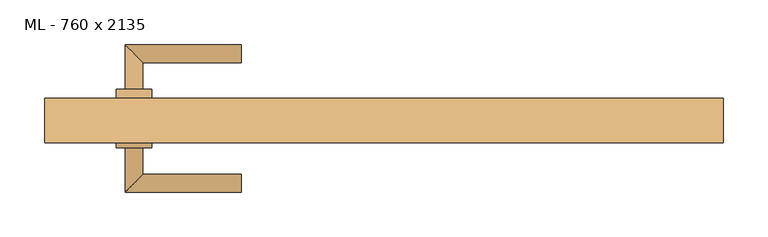
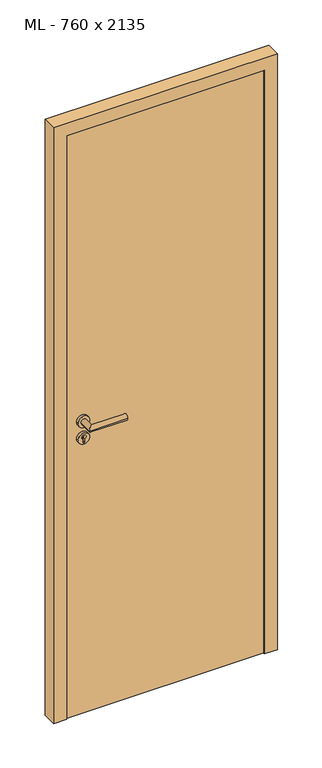
"""IFC4 building model written with IfcOpenShell, lengths in millimetres: door geometry, ML - 760 x 2135."""

from ifc_helpers import new_model, si_unit, point, frame, frame_2d, origin, origin_with_axes, place, context, project, spatial, polyline, circle_curve, ellipse_curve, trimmed, segment, composite_curve, outline, extrude, faceted_brep, source, transform, mapped, element, save
from ifc_brep_helpers import plane_surface, cylinder_surface, advanced_brep


def ml_760_x_2135_d598739a(model_context):
    return source(origin(), model_context, "Body", "SolidModel", [
        extrude(outline(polyline([(346.0, 25.0), (346.0, -20.0), (-346.0, -20.0), (-346.0, 25.0), (346.0, 25.0)])), origin_with_axes(), (0.0, 0.0, 1.0), 2101.0),
        advanced_brep(
        [(-270.0, 35.0, 1050.0), (-290.0, 35.0, 1050.0), (-270.0, 65.0, 1050.0), (-290.0, 85.0, 1050.0), (-160.0, 65.0, 1050.0), (-160.0, 85.0, 1050.0)],
        [
            (0, 1, circle_curve(frame((-280.0, 35.0, 1050.0), z_axis=(0.0, -1.0, 0.0), x_axis=(-1.0, 0.0, 0.0)), 10.0)),
            (1, 0, circle_curve(frame((-280.0, 35.0, 1050.0), z_axis=(0.0, -1.0, 0.0), x_axis=(-1.0, 0.0, 0.0)), 10.0)),
            (0, 2),
            (2, 3, ellipse_curve(frame((-280.0, 75.0, 1050.0), z_axis=(-0.7071067811865531, -0.7071067811865419, 0.0), x_axis=(0.707106781186542, -0.707106781186553, 0.0)), 14.1421356, 10.0)),
            (3, 1),
            (3, 2, ellipse_curve(frame((-280.0, 75.0, 1050.0), z_axis=(-0.7071067811865531, -0.7071067811865419, 0.0), x_axis=(0.707106781186542, -0.707106781186553, 0.0)), 14.1421356, 10.0)),
            (4, 5, circle_curve(frame((-160.0, 75.0, 1050.0), z_axis=(1.0, 0.0, 0.0), x_axis=(0.0, 1.0, 0.0)), 10.0)),
            (5, 4, circle_curve(frame((-160.0, 75.0, 1050.0), z_axis=(1.0, 0.0, 0.0), x_axis=(0.0, 1.0, 0.0)), 10.0)),
            (2, 4),
            (5, 3),
        ],
        [
            plane_surface(frame((-280.0, 35.0, 1050.0), z_axis=(0.0, -1.0, 0.0), x_axis=(0.0, 0.0, 1.0))),
            cylinder_surface(frame((-280.0, 35.0, 1050.0), z_axis=(0.0, -1.0, 0.0), x_axis=(-1.0, 0.0, 0.0)), 10.0),
            plane_surface(frame((-160.0, 75.0, 1050.0), z_axis=(1.0, 0.0, 0.0), x_axis=(0.0, 0.0, 1.0))),
            cylinder_surface(frame((-280.0, 75.0, 1050.0), z_axis=(-1.0, 0.0, 0.0), x_axis=(0.0, 1.0, 0.0)), 10.0),
        ],
        [
            (0, [[1, 2]]),
            (1, [[-1, 3, 4, 5]]),
            (1, [[-2, -5, 6, -3]]),
            (2, [[7, 8]]),
            (3, [[-4, 9, -8, 10]]),
            (3, [[-6, -10, -7, -9]]),
        ],
    ),
        extrude(outline(composite_curve([segment(trimmed(circle_curve(frame_2d((990.0, -280.0)), 20.0), [point((990.0, -300.0))], [point((990.0, -260.0))], False, "CARTESIAN"), True, "CONTINUOUS"), segment(trimmed(circle_curve(frame_2d((990.0, -280.0)), 20.0), [point((990.0, -260.0))], [point((990.0, -300.0))], False, "CARTESIAN"), True, "CONTINUOUS")], self_intersect=False), holes=[composite_curve([segment(polyline([(976.4601385, -282.397268), (988.4749012, -282.397268)]), True, "CONTINUOUS"), segment(trimmed(circle_curve(frame_2d((995.0361633, -280.0)), 6.9854888), [point((988.4749012, -282.397268))], [point((988.4749012, -277.602732))], True, "CARTESIAN"), True, "CONTINUOUS"), segment(polyline([(988.4749012, -277.602732), (976.4601385, -277.602732)]), True, "CONTINUOUS"), segment(trimmed(circle_curve(frame_2d((976.4601385, -280.0)), 2.397268), [point((976.4601385, -277.602732))], [point((976.4601385, -282.397268))], True, "CARTESIAN"), True, "CONTINUOUS")], self_intersect=False)]), frame((0.0, 25.0, 0.0), z_axis=(0.0, 1.0, 0.0), x_axis=(0.0, 0.0, 1.0)), (0.0, 0.0, 1.0), 10.0),
        advanced_brep(
        [(-270.0, 35.0, 1050.0), (-290.0, 35.0, 1050.0), (-270.0, 65.0, 1050.0), (-290.0, 85.0, 1050.0), (-160.0, 65.0, 1050.0), (-160.0, 85.0, 1050.0)],
        [
            (0, 1, circle_curve(frame((-280.0, 35.0, 1050.0), z_axis=(0.0, -1.0, 0.0), x_axis=(-1.0, 0.0, 0.0)), 10.0)),
            (1, 0, circle_curve(frame((-280.0, 35.0, 1050.0), z_axis=(0.0, -1.0, 0.0), x_axis=(-1.0, 0.0, 0.0)), 10.0)),
            (0, 2),
            (2, 3, ellipse_curve(frame((-280.0, 75.0, 1050.0), z_axis=(-0.7071067811865537, -0.7071067811865414, 0.0), x_axis=(0.7071067811865414, -0.7071067811865536, 0.0)), 14.1421356, 10.0)),
            (3, 1),
            (3, 2, ellipse_curve(frame((-280.0, 75.0, 1050.0), z_axis=(-0.7071067811865537, -0.7071067811865414, 0.0), x_axis=(0.7071067811865414, -0.7071067811865536, 0.0)), 14.1421356, 10.0)),
            (4, 5, circle_curve(frame((-160.0, 75.0, 1050.0), z_axis=(1.0, 0.0, 0.0), x_axis=(0.0, 1.0, 0.0)), 10.0)),
            (5, 4, circle_curve(frame((-160.0, 75.0, 1050.0), z_axis=(1.0, 0.0, 0.0), x_axis=(0.0, 1.0, 0.0)), 10.0)),
            (2, 4),
            (5, 3),
        ],
        [
            plane_surface(frame((-280.0, 35.0, 1050.0), z_axis=(0.0, -1.0, 0.0), x_axis=(0.0, 0.0, 1.0))),
            cylinder_surface(frame((-280.0, 35.0, 1050.0), z_axis=(0.0, -1.0, 0.0), x_axis=(-1.0, 0.0, 0.0)), 10.0),
            plane_surface(frame((-160.0, 75.0, 1050.0), z_axis=(1.0, 0.0, 0.0), x_axis=(0.0, 0.0, 1.0))),
            cylinder_surface(frame((-280.0, 75.0, 1050.0), z_axis=(-1.0, 0.0, 0.0), x_axis=(0.0, 1.0, 0.0)), 10.0),
        ],
        [
            (0, [[1, 2]]),
            (1, [[-1, 3, 4, 5]]),
            (1, [[-2, -5, 6, -3]]),
            (2, [[7, 8]]),
            (3, [[-4, 9, -8, 10]]),
            (3, [[-6, -10, -7, -9]]),
        ],
    ),
        extrude(outline(composite_curve([segment(trimmed(circle_curve(frame_2d((1050.0, -280.0)), 20.0), [point((1050.0, -300.0))], [point((1050.0, -260.0))], False, "CARTESIAN"), True, "CONTINUOUS"), segment(trimmed(circle_curve(frame_2d((1050.0, -280.0)), 20.0), [point((1050.0, -260.0))], [point((1050.0, -300.0))], False, "CARTESIAN"), True, "CONTINUOUS")], self_intersect=False)), frame((0.0, 25.0, 0.0), z_axis=(0.0, 1.0, 0.0), x_axis=(0.0, 0.0, 1.0)), (0.0, 0.0, 1.0), 10.0),
        advanced_brep(
        [(-270.0, -30.0, 1050.0), (-290.0, -30.0, 1050.0), (-290.0, -80.0, 1050.0), (-270.0, -60.0, 1050.0), (-160.0, -60.0, 1050.0), (-160.0, -80.0, 1050.0)],
        [
            (0, 1, circle_curve(frame((-280.0, -30.0, 1050.0), z_axis=(0.0, 1.0, 0.0), x_axis=(-1.0, 0.0, 0.0)), 10.0)),
            (1, 0, circle_curve(frame((-280.0, -30.0, 1050.0), z_axis=(0.0, 1.0, 0.0), x_axis=(-1.0, 0.0, 0.0)), 10.0)),
            (1, 2),
            (2, 3, ellipse_curve(frame((-280.0, -70.0, 1050.0), z_axis=(-0.7071067811865486, 0.7071067811865464, 0.0), x_axis=(0.7071067811865464, 0.7071067811865488, 0.0)), 14.1421356, 10.0)),
            (3, 0),
            (3, 2, ellipse_curve(frame((-280.0, -70.0, 1050.0), z_axis=(-0.7071067811865486, 0.7071067811865464, 0.0), x_axis=(0.7071067811865464, 0.7071067811865488, 0.0)), 14.1421356, 10.0)),
            (4, 5, circle_curve(frame((-160.0, -70.0, 1050.0), z_axis=(1.0, 0.0, 0.0), x_axis=(0.0, -1.0, 0.0)), 10.0)),
            (5, 4, circle_curve(frame((-160.0, -70.0, 1050.0), z_axis=(1.0, 0.0, 0.0), x_axis=(0.0, -1.0, 0.0)), 10.0)),
            (2, 5),
            (4, 3),
        ],
        [
            plane_surface(frame((-280.0, -30.0, 1050.0), z_axis=(0.0, 1.0, 0.0), x_axis=(0.0, 0.0, 1.0))),
            cylinder_surface(frame((-280.0, -30.0, 1050.0), z_axis=(0.0, 1.0, 0.0), x_axis=(-1.0, 0.0, 0.0)), 10.0),
            plane_surface(frame((-160.0, -70.0, 1050.0), z_axis=(1.0, 0.0, 0.0), x_axis=(0.0, 0.0, 1.0))),
            cylinder_surface(frame((-280.0, -70.0, 1050.0), z_axis=(-1.0, 0.0, 0.0), x_axis=(0.0, -1.0, 0.0)), 10.0),
        ],
        [
            (0, [[1, 2]]),
            (1, [[3, 4, 5, -2]]),
            (1, [[-5, 6, -3, -1]]),
            (2, [[7, 8]]),
            (3, [[9, -7, 10, -4]]),
            (3, [[-10, -8, -9, -6]]),
        ],
    ),
        extrude(outline(composite_curve([segment(trimmed(circle_curve(frame_2d((990.0, -280.0)), 20.0), [point((990.0, -300.0))], [point((990.0, -260.0))], False, "CARTESIAN"), True, "CONTINUOUS"), segment(trimmed(circle_curve(frame_2d((990.0, -280.0)), 20.0), [point((990.0, -260.0))], [point((990.0, -300.0))], False, "CARTESIAN"), True, "CONTINUOUS")], self_intersect=False), holes=[composite_curve([segment(polyline([(976.4601385, -282.397268), (988.4749012, -282.397268)]), True, "CONTINUOUS"), segment(trimmed(circle_curve(frame_2d((995.0361633, -280.0)), 6.9854888), [point((988.4749012, -282.397268))], [point((988.4749012, -277.602732))], True, "CARTESIAN"), True, "CONTINUOUS"), segment(polyline([(988.4749012, -277.602732), (976.4601385, -277.602732)]), True, "CONTINUOUS"), segment(trimmed(circle_curve(frame_2d((976.4601385, -280.0)), 2.397268), [point((976.4601385, -277.602732))], [point((976.4601385, -282.397268))], True, "CARTESIAN"), True, "CONTINUOUS")], self_intersect=False)]), frame((0.0, -30.0, 0.0), z_axis=(0.0, 1.0, 0.0), x_axis=(0.0, 0.0, 1.0)), (0.0, 0.0, 1.0), 10.0),
        advanced_brep(
        [(-270.0, -30.0, 1050.0), (-290.0, -30.0, 1050.0), (-290.0, -80.0, 1050.0), (-270.0, -60.0, 1050.0), (-160.0, -60.0, 1050.0), (-160.0, -80.0, 1050.0)],
        [
            (0, 1, circle_curve(frame((-280.0, -30.0, 1050.0), z_axis=(0.0, 1.0, 0.0), x_axis=(-1.0, 0.0, 0.0)), 10.0)),
            (1, 0, circle_curve(frame((-280.0, -30.0, 1050.0), z_axis=(0.0, 1.0, 0.0), x_axis=(-1.0, 0.0, 0.0)), 10.0)),
            (1, 2),
            (2, 3, ellipse_curve(frame((-280.0, -70.0, 1050.0), z_axis=(-0.7071067811865491, 0.7071067811865459, 0.0), x_axis=(0.7071067811865458, 0.7071067811865492, 0.0)), 14.1421356, 10.0)),
            (3, 0),
            (3, 2, ellipse_curve(frame((-280.0, -70.0, 1050.0), z_axis=(-0.7071067811865491, 0.7071067811865459, 0.0), x_axis=(0.7071067811865458, 0.7071067811865492, 0.0)), 14.1421356, 10.0)),
            (4, 5, circle_curve(frame((-160.0, -70.0, 1050.0), z_axis=(1.0, 0.0, 0.0), x_axis=(0.0, -1.0, 0.0)), 10.0)),
            (5, 4, circle_curve(frame((-160.0, -70.0, 1050.0), z_axis=(1.0, 0.0, 0.0), x_axis=(0.0, -1.0, 0.0)), 10.0)),
            (2, 5),
            (4, 3),
        ],
        [
            plane_surface(frame((-280.0, -30.0, 1050.0), z_axis=(0.0, 1.0, 0.0), x_axis=(0.0, 0.0, 1.0))),
            cylinder_surface(frame((-280.0, -30.0, 1050.0), z_axis=(0.0, 1.0, 0.0), x_axis=(-1.0, 0.0, 0.0)), 10.0),
            plane_surface(frame((-160.0, -70.0, 1050.0), z_axis=(1.0, 0.0, 0.0), x_axis=(0.0, 0.0, 1.0))),
            cylinder_surface(frame((-280.0, -70.0, 1050.0), z_axis=(-1.0, 0.0, 0.0), x_axis=(0.0, -1.0, 0.0)), 10.0),
        ],
        [
            (0, [[1, 2]]),
            (1, [[3, 4, 5, -2]]),
            (1, [[-5, 6, -3, -1]]),
            (2, [[7, 8]]),
            (3, [[9, -7, 10, -4]]),
            (3, [[-10, -8, -9, -6]]),
        ],
    ),
        extrude(outline(composite_curve([segment(trimmed(circle_curve(frame_2d((1050.0, -280.0)), 20.0), [point((1050.0, -300.0))], [point((1050.0, -260.0))], False, "CARTESIAN"), True, "CONTINUOUS"), segment(trimmed(circle_curve(frame_2d((1050.0, -280.0)), 20.0), [point((1050.0, -260.0))], [point((1050.0, -300.0))], False, "CARTESIAN"), True, "CONTINUOUS")], self_intersect=False)), frame((0.0, -30.0, 0.0), z_axis=(0.0, 1.0, 0.0), x_axis=(0.0, 0.0, 1.0)), (0.0, 0.0, 1.0), 10.0),
        faceted_brep([(-350.0, 25.0, 0.0), (-350.0, -20.0, 0.0), (-335.0, -20.0, 0.0), (-335.0, -25.0, 0.0), (-380.0, -25.0, 0.0), (-380.0, 25.0, 0.0), (-350.0, 25.0, 2105.0), (-350.0, -20.0, 2105.0), (350.0, -20.0, 2105.0), (350.0, -20.0, 0.0), (335.0, -20.0, 0.0), (335.0, -20.0, 2090.0), (-335.0, -20.0, 2090.0), (-335.0, -25.0, 2090.0), (335.0, -25.0, 2090.0), (335.0, -25.0, 0.0), (380.0, -25.0, 0.0), (380.0, -25.0, 2135.0), (-380.0, -25.0, 2135.0), (-380.0, 25.0, 2135.0), (380.0, 25.0, 2135.0), (380.0, 25.0, 0.0), (350.0, 25.0, 0.0), (350.0, 25.0, 2105.0)], [[[0, 1, 2, 3, 4, 5]], [[1, 0, 6, 7]], [[2, 1, 7, 8, 9, 10, 11, 12]], [[3, 2, 12, 13]], [[4, 3, 13, 14, 15, 16, 17, 18]], [[5, 4, 18, 19]], [[0, 5, 19, 20, 21, 22, 23, 6]], [[20, 17, 16, 21]], [[22, 21, 16, 15, 10, 9]], [[8, 23, 22, 9]], [[14, 11, 10, 15]], [[19, 18, 17, 20]], [[13, 12, 11, 14]], [[7, 6, 23, 8]]]),
    ])


if __name__ == "__main__":
    model = new_model("IFC4")
    model_context = context("Model", 3, world=origin())
    ifc_project = project(units=[si_unit("LENGTHUNIT", "METRE", prefix="MILLI")], contexts=[model_context])
    site = spatial("IfcSite", under=ifc_project)
    building = spatial("IfcBuilding", under=site)
    placement = place(None, origin())
    ml_760_x_2135_shape = ml_760_x_2135_d598739a(model_context)
    element("IfcDoor", 1, ObjectType="ML - 760 x 2135", at=placement, inside=building, context=model_context, shape_type="MappedRepresentation", body=[
        mapped(ml_760_x_2135_shape, transform((0.0, 0.0, 0.0), x_axis=(1.0, 0.0, 0.0), y_axis=(0.0, 1.0, 0.0), z_axis=(0.0, 0.0, 1.0))),
    ])
    save(model, "model.ifc")
